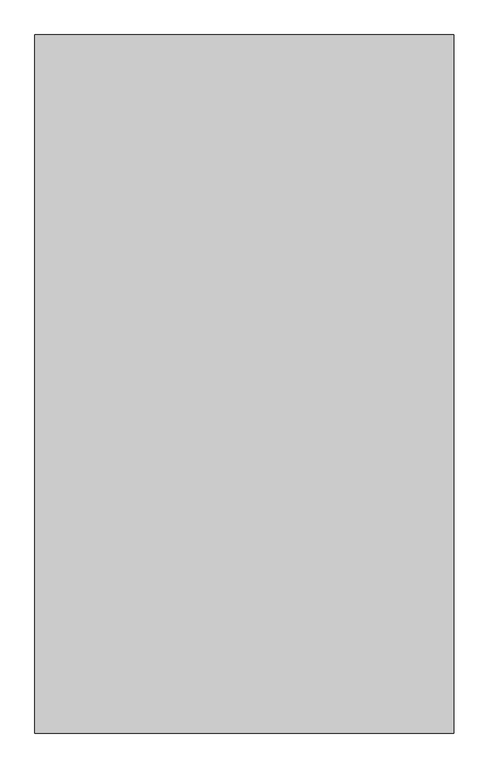
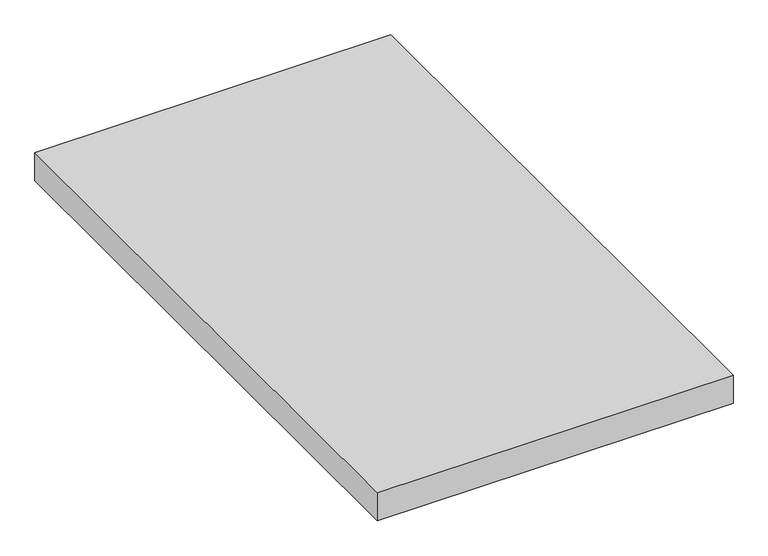
"""IFC4 building model written with IfcOpenShell, lengths in millimetres: proxy geometry."""

from ifc_helpers import new_model, si_unit, origin, origin_with_axes, place, context, project, spatial, polyline, outline, extrude, source, transform, mapped, element, save


def generic_models_afceb89f(model_context):
    return source(origin(), model_context, "Body", "SweptSolid", [
        extrude(outline(polyline([(11159.4865951, -952.8374841), (11159.4865951, -1952.8374841), (10559.4865951, -1952.8374841), (10559.4865951, -952.8374841), (11159.4865951, -952.8374841)])), origin_with_axes(), (0.0, 0.0, 1.0), 50.0),
    ])


if __name__ == "__main__":
    model = new_model("IFC4")
    model_context = context("Model", 3, world=origin())
    ifc_project = project(units=[si_unit("LENGTHUNIT", "METRE", prefix="MILLI")], contexts=[model_context])
    site = spatial("IfcSite", under=ifc_project)
    building = spatial("IfcBuilding", under=site)
    placement = place(None, origin())
    generic_models_shape = generic_models_afceb89f(model_context)
    element("IfcBuildingElementProxy", 1, Name="Generic Models", at=placement, inside=building, context=model_context, shape_type="MappedRepresentation", body=[
        mapped(generic_models_shape, transform((0.0, 0.0, 0.0), x_axis=(1.0, 0.0, 0.0), y_axis=(0.0, 1.0, 0.0), z_axis=(0.0, 0.0, 1.0))),
    ])
    save(model, "model.ifc")
